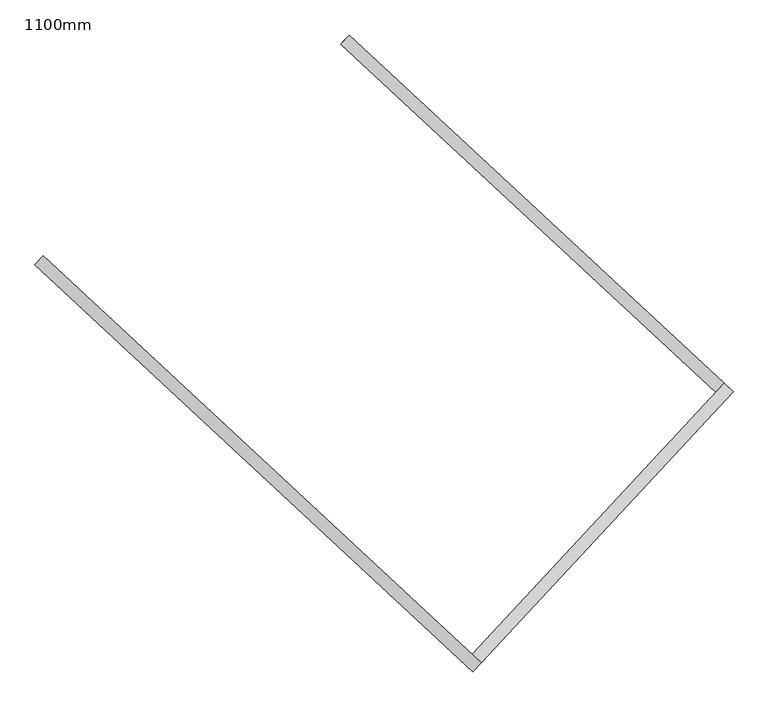
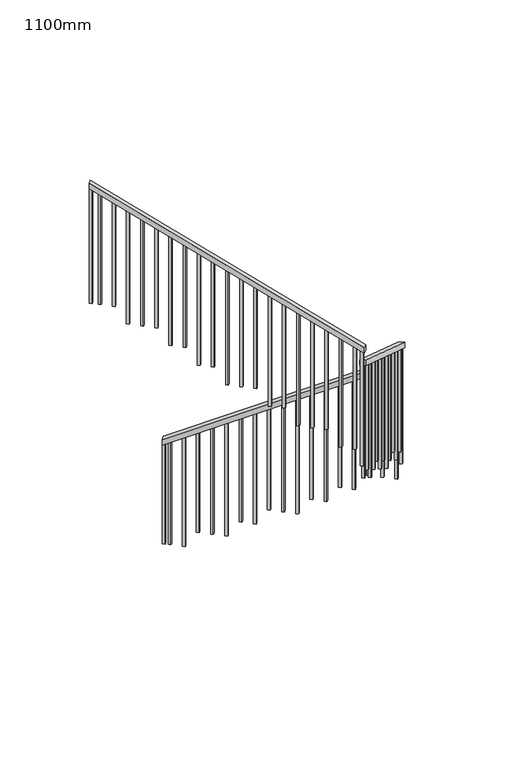
"""IFC4 building model written with IfcOpenShell, lengths in millimetres: railing geometry, 1100mm."""

from ifc_helpers import new_model, si_unit, frame, origin, place, context, project, spatial, polyline, outline, extrude, source, transform, mapped, element, save


def railing_1100mm_ec496ad6(model_context):
    return source(origin(), model_context, "Body", "SweptSolid", [
        extrude(outline(polyline([(27.7777778, -50.0000001), (0.0, 0.0), (2374.1723105, 0.0), (2401.9500883, -50.0000001), (27.7777778, -50.0000001)])), frame((-224137.7930562, 1139.9900228, 1889.4687214), z_axis=(0.6805831972167079, 0.732670807161227, 0.0), x_axis=(0.6404695170817011, -0.5949367538529257, 0.48564293117894336)), (0.0, 0.0, 1.0), 50.0),
        extrude(outline(polyline([(-27.7777778, -50.0), (0.0, 0.0), (1716.853524, 0.0), (1689.0757462, -50.0000001), (-27.7777778, -50.0)])), frame((-222546.5453628, -269.8879642, 3265.8888889), z_axis=(-0.7326708071603808, 0.6805831972176187, 0.0), x_axis=(-0.5949367538540705, -0.6404695170813345, 0.48564293117802454)), (0.0, 0.0, 1.0), 50.0),
        extrude(outline(polyline([(-27.7777778, -50.0), (0.0, 0.0), (2774.5579271, 0.0), (2746.7801493, -50.0), (-27.7777778, -50.0)])), frame((-223601.9937851, -1406.113852, 4265.8888889), z_axis=(0.6805831972168361, 0.7326708071611079, 0.0), x_axis=(-0.6404695170818687, 0.594936753853291, 0.48564293117827495)), (0.0, 0.0, 1.0), 50.0),
        extrude(outline(polyline([(1260.6353881, -25.0), (106.9444445, -25.0), (93.0555556, 0.0), (1260.6353881, 0.0), (1260.6353881, -25.0)])), frame((-225315.2628919, 202.4150466, 5607.3020548), z_axis=(0.6805831972168364, 0.7326708071611077, 0.0), x_axis=(0.0, 0.0, -1.0)), (0.0, 0.0, 1.0), 25.0),
        extrude(outline(polyline([(1191.1909436, -25.0), (106.9444444, -25.0), (93.0555555, 0.0), (1191.1909436, 0.0), (1191.1909436, -25.0)])), frame((-225223.6790411, 117.3421469, 5537.8576103), z_axis=(0.6805831972168364, 0.7326708071611077, 0.0), x_axis=(0.0, 0.0, -1.0)), (0.0, 0.0, 1.0), 25.0),
        extrude(outline(polyline([(1288.4131659, -25.0000001), (106.9444445, -25.0000001), (93.0555556, 0.0), (1288.4131659, 0.0), (1288.4131659, -25.0000001)])), frame((-225132.0951902, 32.2692473, 5468.4131659), z_axis=(0.6805831972168364, 0.7326708071611077, 0.0), x_axis=(0.0, 0.0, -1.0)), (0.0, 0.0, 1.0), 25.0),
        extrude(outline(polyline([(1218.9687214, -25.0), (106.9444444, -25.0), (93.0555555, 0.0), (1218.9687214, 0.0), (1218.9687214, -25.0)])), frame((-225040.5113393, -52.8036524, 5398.9687214), z_axis=(0.6805831972168364, 0.7326708071611077, 0.0), x_axis=(0.0, 0.0, -1.0)), (0.0, 0.0, 1.0), 25.0),
        extrude(outline(polyline([(1149.524277, -25.0000001), (106.9444445, -25.0000001), (93.0555556, 0.0), (1149.524277, 0.0), (1149.524277, -25.0000001)])), frame((-224948.9274884, -137.876552, 5329.524277), z_axis=(0.6805831972168364, 0.7326708071611077, 0.0), x_axis=(0.0, 0.0, -1.0)), (0.0, 0.0, 1.0), 25.0),
        extrude(outline(polyline([(1246.7464992, -25.0), (106.9444444, -25.0), (93.0555555, 0.0), (1246.7464992, 0.0), (1246.7464992, -25.0)])), frame((-224857.3436375, -222.9494517, 5260.0798325), z_axis=(0.6805831972168364, 0.7326708071611077, 0.0), x_axis=(0.0, 0.0, -1.0)), (0.0, 0.0, 1.0), 25.0),
        extrude(outline(polyline([(1177.3020548, -25.0000001), (106.9444444, -25.0000001), (93.0555555, 0.0), (1177.3020548, 0.0), (1177.3020548, -25.0000001)])), frame((-224765.7597866, -308.0223513, 5190.6353881), z_axis=(0.6805831972168364, 0.7326708071611077, 0.0), x_axis=(0.0, 0.0, -1.0)), (0.0, 0.0, 1.0), 25.0),
        extrude(outline(polyline([(1274.524277, -25.0), (106.9444445, -25.0), (93.0555556, 0.0), (1274.524277, 0.0), (1274.524277, -25.0)])), frame((-224674.1759357, -393.095251, 5121.1909437), z_axis=(0.6805831972168364, 0.7326708071611077, 0.0), x_axis=(0.0, 0.0, -1.0)), (0.0, 0.0, 1.0), 25.0),
        extrude(outline(polyline([(1205.0798325, -25.0), (106.9444444, -25.0), (93.0555555, 0.0), (1205.0798325, 0.0), (1205.0798325, -25.0)])), frame((-224582.5920848, -478.1681507, 5051.7464992), z_axis=(0.6805831972168364, 0.7326708071611077, 0.0), x_axis=(0.0, 0.0, -1.0)), (0.0, 0.0, 1.0), 25.0),
        extrude(outline(polyline([(1302.3020548, -25.0), (106.9444445, -25.0), (93.0555556, 0.0), (1302.3020548, 0.0), (1302.3020548, -25.0)])), frame((-224491.0082339, -563.2410503, 4982.3020548), z_axis=(0.6805831972168364, 0.7326708071611077, 0.0), x_axis=(0.0, 0.0, -1.0)), (0.0, 0.0, 1.0), 25.0),
        extrude(outline(polyline([(1232.8576103, -25.0), (106.9444444, -25.0), (93.0555555, 0.0), (1232.8576103, 0.0), (1232.8576103, -25.0)])), frame((-224399.424383, -648.31395, 4912.8576103), z_axis=(0.6805831972168364, 0.7326708071611077, 0.0), x_axis=(0.0, 0.0, -1.0)), (0.0, 0.0, 1.0), 25.0),
        extrude(outline(polyline([(1163.4131659, -25.0), (106.9444445, -25.0), (93.0555556, 0.0), (1163.4131659, 0.0), (1163.4131659, -25.0)])), frame((-224307.8405321, -733.3868496, 4843.4131659), z_axis=(0.6805831972168364, 0.7326708071611077, 0.0), x_axis=(0.0, 0.0, -1.0)), (0.0, 0.0, 1.0), 25.0),
        extrude(outline(polyline([(1260.6353881, -25.0), (106.9444444, -25.0), (93.0555555, 0.0), (1260.6353881, 0.0), (1260.6353881, -25.0)])), frame((-224216.2566812, -818.4597493, 4773.9687214), z_axis=(0.6805831972168364, 0.7326708071611077, 0.0), x_axis=(0.0, 0.0, -1.0)), (0.0, 0.0, 1.0), 25.0),
        extrude(outline(polyline([(1191.1909437, -25.0), (106.9444445, -25.0), (93.0555556, 0.0), (1191.1909437, 0.0), (1191.1909437, -25.0)])), frame((-224124.6728303, -903.5326489, 4704.524277), z_axis=(0.6805831972168364, 0.7326708071611077, 0.0), x_axis=(0.0, 0.0, -1.0)), (0.0, 0.0, 1.0), 25.0),
        extrude(outline(polyline([(1288.4131658, -25.0), (106.9444444, -25.0), (93.0555555, 0.0), (1288.4131658, 0.0), (1288.4131658, -25.0)])), frame((-224033.0889794, -988.6055486, 4635.0798325), z_axis=(0.6805831972168364, 0.7326708071611077, 0.0), x_axis=(0.0, 0.0, -1.0)), (0.0, 0.0, 1.0), 25.0),
        extrude(outline(polyline([(1218.9687214, -25.0), (106.9444444, -25.0), (93.0555556, 0.0), (1218.9687214, 0.0), (1218.9687214, -25.0)])), frame((-223941.5051285, -1073.6784482, 4565.6353881), z_axis=(0.6805831972168364, 0.7326708071611077, 0.0), x_axis=(0.0, 0.0, -1.0)), (0.0, 0.0, 1.0), 25.0),
        extrude(outline(polyline([(1149.524277, -25.0), (106.9444445, -25.0), (93.0555556, 0.0), (1149.524277, 0.0), (1149.524277, -25.0)])), frame((-223849.9212776, -1158.7513479, 4496.1909437), z_axis=(0.6805831972168364, 0.7326708071611077, 0.0), x_axis=(0.0, 0.0, -1.0)), (0.0, 0.0, 1.0), 25.0),
        extrude(outline(polyline([(1246.7464992, -25.0), (106.9444444, -25.0), (93.0555555, 0.0), (1246.7464992, 0.0), (1246.7464992, -25.0)])), frame((-223758.3374267, -1243.8242475, 4426.7464992), z_axis=(0.6805831972168364, 0.7326708071611077, 0.0), x_axis=(0.0, 0.0, -1.0)), (0.0, 0.0, 1.0), 25.0),
        extrude(outline(polyline([(1177.3020548, -24.9999999), (106.9444445, -24.9999999), (93.0555556, 0.0), (1177.3020548, 0.0), (1177.3020548, -24.9999999)])), frame((-223666.7535758, -1328.8971472, 4357.3020548), z_axis=(0.6805831972168364, 0.7326708071611077, 0.0), x_axis=(0.0, 0.0, -1.0)), (0.0, 0.0, 1.0), 25.0),
        extrude(outline(polyline([(1274.524277, -24.9999999), (106.9444445, -24.9999999), (93.0555556, 0.0), (1274.524277, 0.0), (1274.524277, -24.9999999)])), frame((-223559.5639638, -1342.0701148, 4121.1909437), z_axis=(-0.7326708071603812, 0.6805831972176183, 0.0), x_axis=(0.0, 0.0, -1.0000000000000002)), (0.0, 0.0, 1.0), 25.0),
        extrude(outline(polyline([(1205.0798325, -25.0), (106.9444444, -25.0), (93.0555555, 0.0), (1205.0798325, 0.0), (1205.0798325, -25.0)])), frame((-223474.4910642, -1250.4862639, 4051.7464992), z_axis=(-0.7326708071603812, 0.6805831972176183, 0.0), x_axis=(0.0, 0.0, -1.0000000000000002)), (0.0, 0.0, 1.0), 25.0),
        extrude(outline(polyline([(1302.3020548, -24.9999999), (106.9444445, -24.9999999), (93.0555556, 0.0), (1302.3020548, 0.0), (1302.3020548, -24.9999999)])), frame((-223389.4181645, -1158.902413, 3982.3020548), z_axis=(-0.7326708071603812, 0.6805831972176183, 0.0), x_axis=(0.0, 0.0, -1.0000000000000002)), (0.0, 0.0, 1.0), 25.0),
        extrude(outline(polyline([(1232.8576103, -25.0000001), (106.9444444, -25.0000001), (93.0555555, 0.0), (1232.8576103, 0.0), (1232.8576103, -25.0000001)])), frame((-223304.3452649, -1067.3185622, 3912.8576103), z_axis=(-0.7326708071603812, 0.6805831972176183, 0.0), x_axis=(0.0, 0.0, -1.0000000000000002)), (0.0, 0.0, 1.0), 25.0),
        extrude(outline(polyline([(1163.4131659, -25.0), (106.9444445, -25.0), (93.0555556, 0.0), (1163.4131659, 0.0), (1163.4131659, -25.0)])), frame((-223219.2723652, -975.7347113, 3843.4131659), z_axis=(-0.7326708071603812, 0.6805831972176183, 0.0), x_axis=(0.0, 0.0, -1.0000000000000002)), (0.0, 0.0, 1.0), 25.0),
        extrude(outline(polyline([(1260.6353881, -25.0000001), (106.9444444, -25.0000001), (93.0555555, 0.0), (1260.6353881, 0.0), (1260.6353881, -25.0000001)])), frame((-223134.1994656, -884.1508604, 3773.9687214), z_axis=(-0.7326708071603812, 0.6805831972176183, 0.0), x_axis=(0.0, 0.0, -1.0000000000000002)), (0.0, 0.0, 1.0), 25.0),
        extrude(outline(polyline([(1191.1909437, -25.0), (106.9444445, -25.0), (93.0555556, 0.0), (1191.1909437, 0.0), (1191.1909437, -25.0)])), frame((-223049.1265659, -792.5670095, 3704.524277), z_axis=(-0.7326708071603812, 0.6805831972176183, 0.0), x_axis=(0.0, 0.0, -1.0000000000000002)), (0.0, 0.0, 1.0), 25.0),
        extrude(outline(polyline([(1288.4131658, -25.0000001), (106.9444444, -25.0000001), (93.0555555, 0.0), (1288.4131658, 0.0), (1288.4131658, -25.0000001)])), frame((-222964.0536663, -700.9831586, 3635.0798325), z_axis=(-0.7326708071603812, 0.6805831972176183, 0.0), x_axis=(0.0, 0.0, -1.0000000000000002)), (0.0, 0.0, 1.0), 25.0),
        extrude(outline(polyline([(1218.9687214, -25.0), (106.9444444, -25.0), (93.0555556, 0.0), (1218.9687214, 0.0), (1218.9687214, -25.0)])), frame((-222878.9807666, -609.3993077, 3565.6353881), z_axis=(-0.7326708071603812, 0.6805831972176183, 0.0), x_axis=(0.0, 0.0, -1.0000000000000002)), (0.0, 0.0, 1.0), 25.0),
        extrude(outline(polyline([(1149.524277, -25.0000001), (106.9444445, -25.0000001), (93.0555556, 0.0), (1149.524277, 0.0), (1149.524277, -25.0000001)])), frame((-222793.907867, -517.8154568, 3496.1909437), z_axis=(-0.7326708071603812, 0.6805831972176183, 0.0), x_axis=(0.0, 0.0, -1.0000000000000002)), (0.0, 0.0, 1.0), 25.0),
        extrude(outline(polyline([(1246.7464992, -25.0), (106.9444444, -25.0), (93.0555555, 0.0), (1246.7464992, 0.0), (1246.7464992, -25.0)])), frame((-222708.8349673, -426.2316059, 3426.7464992), z_axis=(-0.7326708071603812, 0.6805831972176183, 0.0), x_axis=(0.0, 0.0, -1.0000000000000002)), (0.0, 0.0, 1.0), 25.0),
        extrude(outline(polyline([(1177.3020548, -25.0), (106.9444445, -25.0), (93.0555556, 0.0), (1177.3020548, 0.0), (1177.3020548, -25.0)])), frame((-222623.7620676, -334.647755, 3357.3020548), z_axis=(-0.7326708071603812, 0.6805831972176183, 0.0), x_axis=(0.0, 0.0, -1.0000000000000002)), (0.0, 0.0, 1.0), 25.0),
        extrude(outline(polyline([(106.9444445, 0.0), (1288.6353881, 0.0), (1288.6353881, -25.0000001), (93.0555556, -25.0000001), (106.9444445, 0.0)])), frame((-222627.3106116, -246.0471464, 3135.3020548), z_axis=(0.6805831972167099, 0.7326708071612251, 0.0), x_axis=(0.0, 0.0, -1.0)), (0.0, 0.0, 1.0), 25.0),
        extrude(outline(polyline([(106.9444444, 0.0), (1219.1909436, 0.0), (1219.1909436, -25.0), (93.0555555, -25.0), (106.9444444, 0.0)])), frame((-222718.8944625, -160.9742468, 3065.8576103), z_axis=(0.6805831972167099, 0.7326708071612251, 0.0), x_axis=(0.0, 0.0, -1.0)), (0.0, 0.0, 1.0), 25.0),
        extrude(outline(polyline([(106.9444445, 0.0), (1149.7464992, 0.0), (1149.7464992, -25.0000001), (93.0555556, -25.0000001), (106.9444445, 0.0)])), frame((-222810.4783134, -75.9013471, 2996.4131659), z_axis=(0.6805831972167099, 0.7326708071612251, 0.0), x_axis=(0.0, 0.0, -1.0)), (0.0, 0.0, 1.0), 25.0),
        extrude(outline(polyline([(106.9444444, 0.0), (1246.9687214, 0.0), (1246.9687214, -25.0), (93.0555555, -25.0), (106.9444444, 0.0)])), frame((-222902.0621643, 9.1715525, 2926.9687214), z_axis=(0.6805831972167099, 0.7326708071612251, 0.0), x_axis=(0.0, 0.0, -1.0)), (0.0, 0.0, 1.0), 25.0),
        extrude(outline(polyline([(106.9444445, 0.0), (1177.524277, 0.0), (1177.524277, -25.0000001), (93.0555556, -25.0000001), (106.9444445, 0.0)])), frame((-222993.6460152, 94.2444522, 2857.524277), z_axis=(0.6805831972167099, 0.7326708071612251, 0.0), x_axis=(0.0, 0.0, -1.0)), (0.0, 0.0, 1.0), 25.0),
        extrude(outline(polyline([(106.9444444, 0.0), (1274.7464992, 0.0), (1274.7464992, -25.0), (93.0555555, -25.0), (106.9444444, 0.0)])), frame((-223085.2298661, 179.3173518, 2788.0798325), z_axis=(0.6805831972167099, 0.7326708071612251, 0.0), x_axis=(0.0, 0.0, -1.0)), (0.0, 0.0, 1.0), 25.0),
        extrude(outline(polyline([(106.9444444, 0.0), (1205.3020548, 0.0), (1205.3020548, -25.0000001), (93.0555556, -25.0000001), (106.9444444, 0.0)])), frame((-223176.813717, 264.3902515, 2718.6353881), z_axis=(0.6805831972167099, 0.7326708071612251, 0.0), x_axis=(0.0, 0.0, -1.0)), (0.0, 0.0, 1.0), 25.0),
        extrude(outline(polyline([(106.9444445, 0.0), (1302.524277, 0.0), (1302.524277, -25.0), (93.0555556, -25.0), (106.9444445, 0.0)])), frame((-223268.3975679, 349.4631511, 2649.1909437), z_axis=(0.6805831972167099, 0.7326708071612251, 0.0), x_axis=(0.0, 0.0, -1.0)), (0.0, 0.0, 1.0), 25.0),
        extrude(outline(polyline([(106.9444444, 0.0), (1233.0798325, 0.0), (1233.0798325, -25.0), (93.0555555, -25.0), (106.9444444, 0.0)])), frame((-223359.9814188, 434.5360508, 2579.7464992), z_axis=(0.6805831972167099, 0.7326708071612251, 0.0), x_axis=(0.0, 0.0, -1.0)), (0.0, 0.0, 1.0), 25.0),
        extrude(outline(polyline([(106.9444445, 0.0), (1163.6353881, 0.0), (1163.6353881, -25.0), (93.0555556, -25.0), (106.9444445, 0.0)])), frame((-223451.5652697, 519.6089504, 2510.3020548), z_axis=(0.6805831972167099, 0.7326708071612251, 0.0), x_axis=(0.0, 0.0, -1.0)), (0.0, 0.0, 1.0), 25.0),
        extrude(outline(polyline([(106.9444444, 0.0), (1260.8576103, 0.0), (1260.8576103, -24.9999999), (93.0555555, -24.9999999), (106.9444444, 0.0)])), frame((-223543.1491205, 604.6818501, 2440.8576103), z_axis=(0.6805831972167099, 0.7326708071612251, 0.0), x_axis=(0.0, 0.0, -1.0)), (0.0, 0.0, 1.0), 25.0),
        extrude(outline(polyline([(106.9444445, 0.0), (1191.4131659, 0.0), (1191.4131659, -24.9999999), (93.0555556, -24.9999999), (106.9444445, 0.0)])), frame((-223634.7329714, 689.7547497, 2371.4131659), z_axis=(0.6805831972167099, 0.7326708071612251, 0.0), x_axis=(0.0, 0.0, -1.0)), (0.0, 0.0, 1.0), 25.0),
        extrude(outline(polyline([(106.9444444, 0.0), (1288.6353881, 0.0), (1288.6353881, -24.9999999), (93.0555555, -24.9999999), (106.9444444, 0.0)])), frame((-223726.3168223, 774.8276494, 2301.9687214), z_axis=(0.6805831972167099, 0.7326708071612251, 0.0), x_axis=(0.0, 0.0, -1.0)), (0.0, 0.0, 1.0), 25.0),
        extrude(outline(polyline([(106.9444445, 0.0), (1219.1909437, 0.0), (1219.1909437, -24.9999999), (93.0555556, -24.9999999), (106.9444445, 0.0)])), frame((-223817.9006732, 859.900549, 2232.524277), z_axis=(0.6805831972167099, 0.7326708071612251, 0.0), x_axis=(0.0, 0.0, -1.0)), (0.0, 0.0, 1.0), 25.0),
        extrude(outline(polyline([(106.9444444, 0.0), (1149.7464992, 0.0), (1149.7464992, -25.0), (93.0555555, -25.0), (106.9444444, 0.0)])), frame((-223909.4845241, 944.9734487, 2163.0798325), z_axis=(0.6805831972167099, 0.7326708071612251, 0.0), x_axis=(0.0, 0.0, -1.0)), (0.0, 0.0, 1.0), 25.0),
        extrude(outline(polyline([(106.9444444, 0.0), (1246.9687214, 0.0), (1246.9687214, -25.0), (93.0555556, -25.0), (106.9444444, 0.0)])), frame((-224001.068375, 1030.0463483, 2093.6353881), z_axis=(0.6805831972167099, 0.7326708071612251, 0.0), x_axis=(0.0, 0.0, -1.0)), (0.0, 0.0, 1.0), 25.0),
        extrude(outline(polyline([(106.9444445, 0.0), (1177.524277, 0.0), (1177.524277, -25.0), (93.0555556, -25.0), (106.9444445, 0.0)])), frame((-224092.6522259, 1115.119248, 2024.1909437), z_axis=(0.6805831972167099, 0.7326708071612251, 0.0), x_axis=(0.0, 0.0, -1.0)), (0.0, 0.0, 1.0), 25.0),
        extrude(outline(polyline([(1309.2464993, -25.0), (106.9444445, -25.0), (93.0555556, 0.0), (1309.2464993, 0.0), (1309.2464993, -25.0)])), frame((-223620.9616504, -1371.433597, 4322.5798326), z_axis=(0.6805831972168364, 0.7326708071611077, 0.0), x_axis=(0.0, 0.0, -1.0)), (0.0, 0.0, 1.0), 25.0),
        extrude(outline(polyline([(1309.2464993, -24.9999999), (106.9444445, -24.9999999), (93.0555556, 0.0), (1309.2464993, 0.0), (1309.2464993, -24.9999999)])), frame((-222581.2256178, -288.8558295, 3322.5798326), z_axis=(-0.7326708071603812, 0.6805831972176183, 0.0), x_axis=(0.0, 0.0, -1.0000000000000002)), (0.0, 0.0, 1.0), 25.0),
        extrude(outline(polyline([(1302.524277, -25.0), (106.9444445, -25.0), (93.0555556, 0.0), (1302.524277, 0.0), (1302.524277, -25.0)])), frame((-225370.5062708, 253.7310196, 5649.1909437), z_axis=(0.6805831972168364, 0.7326708071611077, 0.0), x_axis=(0.0, 0.0, -1.0)), (0.0, 0.0, 1.0), 25.0),
        extrude(outline(polyline([(106.9444445, 0.0), (1149.7464992, 0.0), (1149.7464992, -25.0000001), (93.0555556, -25.0000001), (106.9444445, 0.0)])), frame((-224129.2857663, 1149.1484079, 1996.4131659), z_axis=(0.6805831972167099, 0.7326708071612251, 0.0), x_axis=(0.0, 0.0, -1.0)), (0.0, 0.0, 1.0), 25.0),
    ])


if __name__ == "__main__":
    model = new_model("IFC4")
    model_context = context("Model", 3, world=origin())
    ifc_project = project(units=[si_unit("LENGTHUNIT", "METRE", prefix="MILLI")], contexts=[model_context])
    site = spatial("IfcSite", under=ifc_project)
    building = spatial("IfcBuilding", under=site)
    placement = place(None, origin())
    railing_1100mm_shape = railing_1100mm_ec496ad6(model_context)
    element("IfcRailing", 1, ObjectType="1100mm", at=placement, inside=building, context=model_context, shape_type="MappedRepresentation", body=[
        mapped(railing_1100mm_shape, transform((0.0, 0.0, 0.0), x_axis=(1.0, 0.0, 0.0), y_axis=(0.0, 1.0, 0.0), z_axis=(0.0, 0.0, 1.0))),
    ])
    save(model, "model.ifc")
